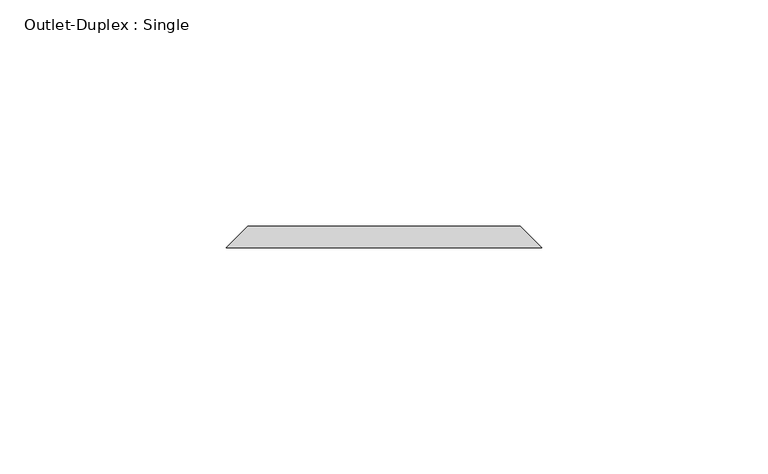
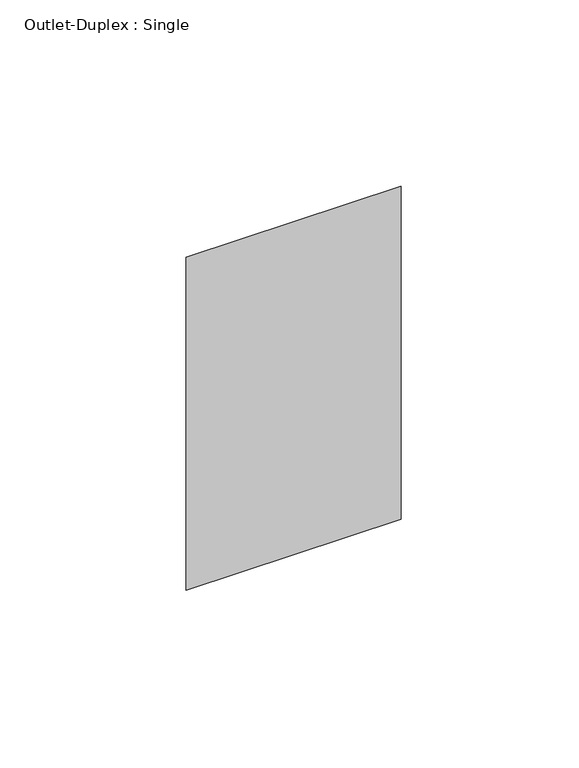
"""IFC4 building model written with IfcOpenShell, lengths in millimetres: proxy geometry, Outlet-Duplex : Single."""

from ifc_helpers import new_model, si_unit, origin, place, context, project, spatial, faceted_brep, source, transform, mapped, element, save


def outlet_duplex_single_92cefd2c(model_context):
    return source(origin(), model_context, "Body", "Brep", [
        faceted_brep([(-30.1625, 173.0375, 357.1875), (30.1625, 173.0375, 357.1875), (30.1625, 173.0375, 252.4125), (-30.1625, 173.0375, 252.4125), (-34.925, 168.275, 361.95), (-34.925, 168.275, 247.65), (34.925, 168.275, 247.65), (34.925, 168.275, 361.95)], [[[0, 1, 2, 3]], [[4, 5, 6, 7]], [[4, 7, 1, 0]], [[7, 6, 2, 1]], [[6, 5, 3, 2]], [[5, 4, 0, 3]]]),
    ])


if __name__ == "__main__":
    model = new_model("IFC4")
    model_context = context("Model", 3, world=origin())
    ifc_project = project(units=[si_unit("LENGTHUNIT", "METRE", prefix="MILLI")], contexts=[model_context])
    site = spatial("IfcSite", under=ifc_project)
    building = spatial("IfcBuilding", under=site)
    placement = place(None, origin())
    outlet_duplex_single_shape = outlet_duplex_single_92cefd2c(model_context)
    element("IfcBuildingElementProxy", 1, Name="Outlet-Duplex : Single", ObjectType="Outlet-Duplex : Single", at=placement, inside=building, context=model_context, shape_type="MappedRepresentation", body=[
        mapped(outlet_duplex_single_shape, transform((0.0, 0.0, 0.0), x_axis=(1.0, 0.0, 0.0), y_axis=(0.0, 1.0, 0.0), z_axis=(0.0, 0.0, 1.0))),
    ])
    save(model, "model.ifc")
